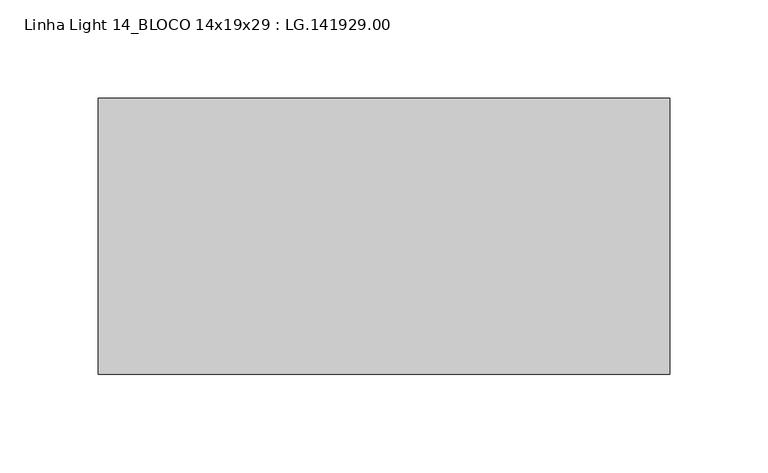
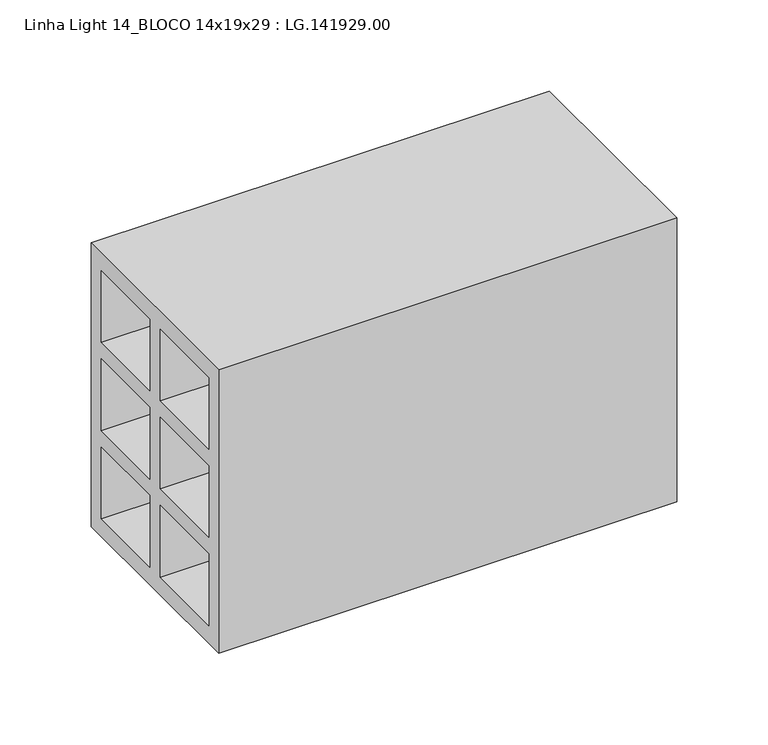
"""IFC4 building model written with IfcOpenShell, lengths in millimetres: proxy geometry, Linha Light 14_BLOCO 14x19x29 : LG.141929.00."""

from ifc_helpers import new_model, si_unit, frame, origin, place, context, project, spatial, polyline, outline, extrude, source, transform, mapped, element, save


def linha_light_14_bloco_14x19x29_lg_141929_00_2b9b3c46(model_context):
    return source(origin(), model_context, "Body", "SweptSolid", [
        extrude(outline(polyline([(-70.0, 0.0), (-70.0, 190.0), (70.0, 190.0), (70.0, 0.0), (-70.0, 0.0)]), holes=[polyline([(5.5, 178.0), (5.5, 130.0), (59.0, 130.0), (59.0, 178.0), (5.5, 178.0)]), polyline([(-59.0, 178.0), (-59.0, 130.0), (-5.5, 130.0), (-5.5, 178.0), (-59.0, 178.0)]), polyline([(-5.5, 119.0), (-59.0, 119.0), (-59.0, 71.0), (-5.5, 71.0), (-5.5, 119.0)]), polyline([(59.0, 71.0), (59.0, 119.0), (5.5, 119.0), (5.5, 71.0), (59.0, 71.0)]), polyline([(59.0, 60.0), (5.5, 60.0), (5.5, 12.0), (59.0, 12.0), (59.0, 60.0)]), polyline([(-5.5, 60.0), (-59.0, 60.0), (-59.0, 12.0), (-5.5, 12.0), (-5.5, 60.0)])]), frame((5.0, 0.0, 0.0), z_axis=(1.0, 0.0, 0.0), x_axis=(0.0, 1.0, 0.0)), (0.0, 0.0, 1.0), 290.0),
    ])


if __name__ == "__main__":
    model = new_model("IFC4")
    model_context = context("Model", 3, world=origin())
    ifc_project = project(units=[si_unit("LENGTHUNIT", "METRE", prefix="MILLI")], contexts=[model_context])
    site = spatial("IfcSite", under=ifc_project)
    building = spatial("IfcBuilding", under=site)
    placement = place(None, origin())
    linha_light_14_bloco_14x19x29_lg_141929_00_shape = linha_light_14_bloco_14x19x29_lg_141929_00_2b9b3c46(model_context)
    element("IfcBuildingElementProxy", 1, Name="Linha Light 14_BLOCO 14x19x29 : LG.141929.00", ObjectType="Linha Light 14_BLOCO 14x19x29 : LG.141929.00", at=placement, inside=building, context=model_context, shape_type="MappedRepresentation", body=[
        mapped(linha_light_14_bloco_14x19x29_lg_141929_00_shape, transform((0.0, 0.0, 0.0), x_axis=(1.0, 0.0, 0.0), y_axis=(0.0, 1.0, 0.0), z_axis=(0.0, 0.0, 1.0))),
    ])
    save(model, "model.ifc")
